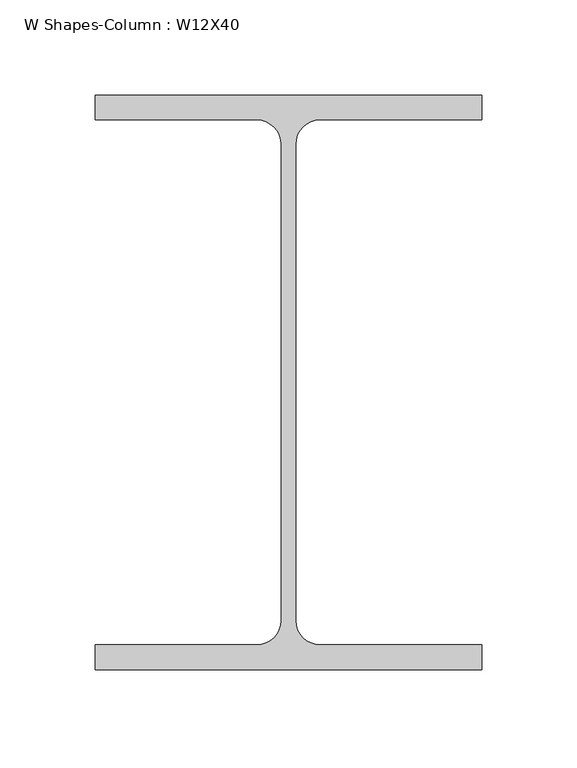
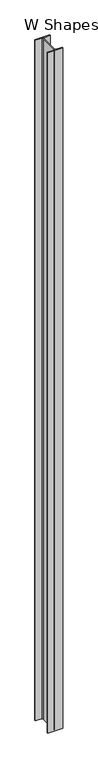
"""IFC4 building model written with IfcOpenShell, lengths in millimetres: column geometry, W Shapes-Column : W12X40."""

from ifc_helpers import new_model, si_unit, point, frame_2d, origin, origin_with_axes, place, context, project, spatial, polyline, circle_curve, trimmed, segment, composite_curve, outline, extrude, source, transform, mapped, element, save


def w_shapes_column_w12x40_e775c8ed(model_context):
    return source(origin(), model_context, "Body", "SweptSolid", [
        extrude(outline(composite_curve([segment(polyline([(101.727, 151.13), (101.727, 138.049), (16.5735, 138.049)]), True, "CONTINUOUS"), segment(trimmed(circle_curve(frame_2d((16.5735, 125.222)), 12.827), [point((16.5735, 138.049))], [point((3.7465, 125.222))], True, "CARTESIAN"), True, "CONTINUOUS"), segment(polyline([(3.7465, 125.222), (3.7465, -125.222)]), True, "CONTINUOUS"), segment(trimmed(circle_curve(frame_2d((16.5735, -125.222)), 12.827), [point((3.7465, -125.222))], [point((16.5735, -138.049))], True, "CARTESIAN"), True, "CONTINUOUS"), segment(polyline([(16.5735, -138.049), (101.727, -138.049), (101.727, -151.13), (-101.727, -151.13), (-101.727, -138.049), (-16.5735, -138.049)]), True, "CONTINUOUS"), segment(trimmed(circle_curve(frame_2d((-16.5735, -125.222)), 12.827), [point((-16.5735, -138.049))], [point((-3.7465, -125.222))], True, "CARTESIAN"), True, "CONTINUOUS"), segment(polyline([(-3.7465, -125.222), (-3.7465, 125.222)]), True, "CONTINUOUS"), segment(trimmed(circle_curve(frame_2d((-16.5735, 125.222)), 12.827), [point((-3.7465, 125.222))], [point((-16.5735, 138.049))], True, "CARTESIAN"), True, "CONTINUOUS"), segment(polyline([(-16.5735, 138.049), (-101.727, 138.049), (-101.727, 151.13), (101.727, 151.13)]), True, "CONTINUOUS")], self_intersect=False)), origin_with_axes(), (0.0, 0.0, 1.0), 9753.6),
    ])


if __name__ == "__main__":
    model = new_model("IFC4")
    model_context = context("Model", 3, world=origin())
    ifc_project = project(units=[si_unit("LENGTHUNIT", "METRE", prefix="MILLI")], contexts=[model_context])
    site = spatial("IfcSite", under=ifc_project)
    building = spatial("IfcBuilding", under=site)
    placement = place(None, origin())
    w_shapes_column_w12x40_shape = w_shapes_column_w12x40_e775c8ed(model_context)
    element("IfcColumn", 1, ObjectType="W Shapes-Column : W12X40", at=placement, inside=building, context=model_context, shape_type="MappedRepresentation", body=[
        mapped(w_shapes_column_w12x40_shape, transform((0.0, 0.0, 0.0), x_axis=(1.0, 0.0, 0.0), y_axis=(0.0, 1.0, 0.0), z_axis=(0.0, 0.0, 1.0))),
    ])
    save(model, "model.ifc")
